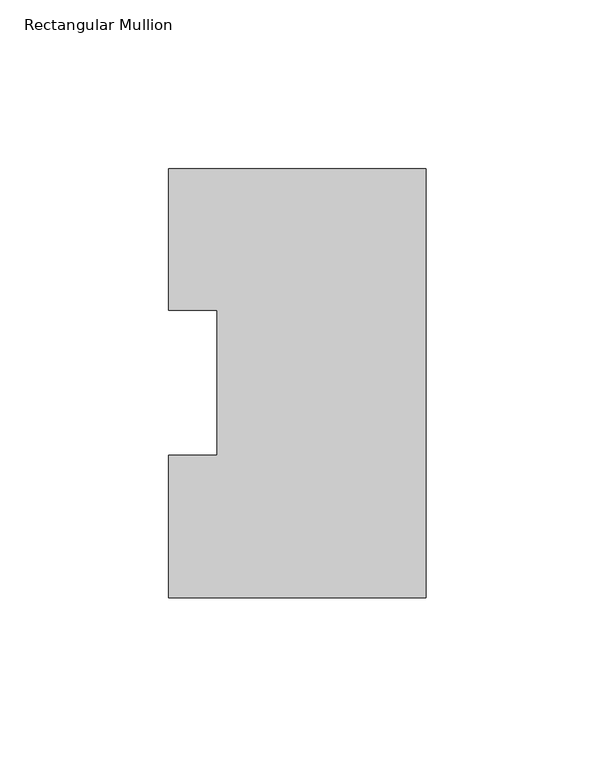
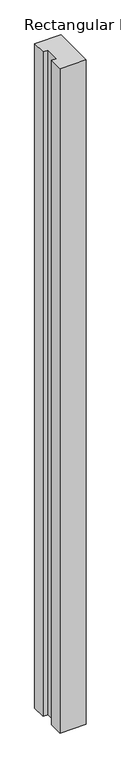
"""IFC4 building model written with IfcOpenShell, lengths in millimetres: member geometry, Rectangular Mullion."""

from ifc_helpers import new_model, si_unit, frame, origin, place, context, project, spatial, polyline, outline, extrude, source, transform, mapped, element, save


def rectangular_mullion_0347b761(model_context):
    return source(origin(), model_context, "Body", "SweptSolid", [
        extrude(outline(polyline([(-61.9139549, 85.1296875), (-76.1989149, 85.1296875), (-76.1989149, 126.9888875), (0.0, 126.9888875), (0.0, -0.0111125), (-76.1989149, -0.0111125), (-76.1989149, 42.2798875), (-61.9139549, 42.2798875), (-61.9139549, 85.1296875)])), frame((0.0, 0.0, -2044.4591858), z_axis=(0.0, 0.0, 1.0), x_axis=(1.0, 0.0, 0.0)), (0.0, 0.0, 1.0), 2044.4591858),
    ])


if __name__ == "__main__":
    model = new_model("IFC4")
    model_context = context("Model", 3, world=origin())
    ifc_project = project(units=[si_unit("LENGTHUNIT", "METRE", prefix="MILLI")], contexts=[model_context])
    site = spatial("IfcSite", under=ifc_project)
    building = spatial("IfcBuilding", under=site)
    placement = place(None, origin())
    rectangular_mullion_shape = rectangular_mullion_0347b761(model_context)
    element("IfcMember", 1, ObjectType="Rectangular Mullion", at=placement, inside=building, context=model_context, shape_type="MappedRepresentation", body=[
        mapped(rectangular_mullion_shape, transform((0.0, 0.0, 0.0), x_axis=(1.0, 0.0, 0.0), y_axis=(0.0, 1.0, 0.0), z_axis=(0.0, 0.0, 1.0))),
    ])
    save(model, "model.ifc")
